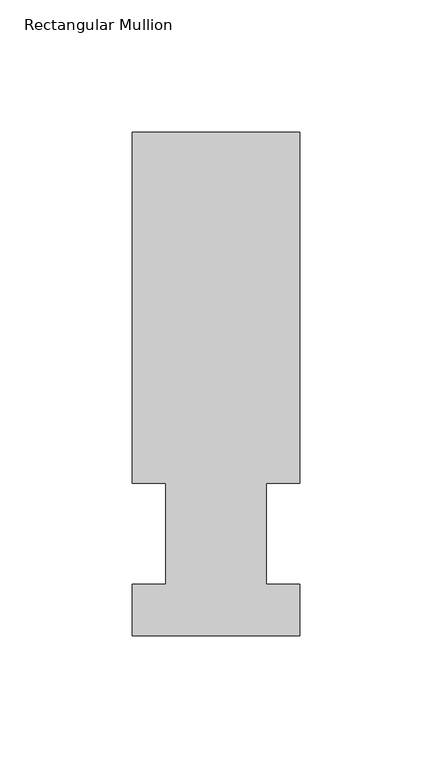
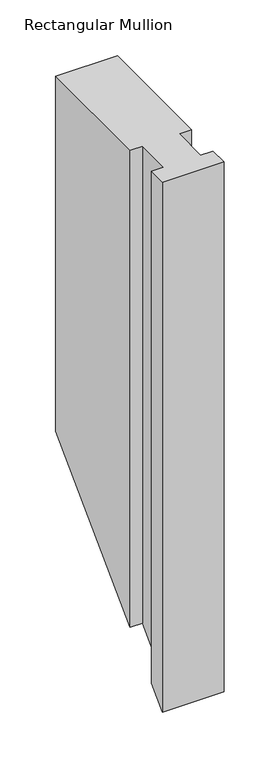
"""IFC4 building model written with IfcOpenShell, lengths in millimetres: member geometry, Rectangular Mullion."""

from ifc_helpers import new_model, si_unit, origin, place, context, project, spatial, faceted_brep, source, transform, mapped, element, save


def rectangular_mullion_335d3d6f(model_context):
    return source(origin(), model_context, "Body", "Brep", [
        faceted_brep([(-63.5, 57.6460937, 0.0), (-50.8, 57.6460937, 0.0), (-50.8, 19.5460938, 0.0), (-63.5, 19.5460938, 0.0), (-63.5, 0.0134938, 0.0), (0.0, 0.0134938, 0.0), (0.0, 19.5460938, 0.0), (-12.6873, 19.5460938, 0.0), (-12.6873, 57.6460937, 0.0), (0.0, 57.6460937, 0.0), (0.0, 190.5896938, 0.0), (-63.5, 190.5896938, 0.0), (-63.5, 57.6460937, -520.2039057), (-50.8, 57.6460937, -520.2039057), (-50.8, 19.5460938, -558.3039057), (-63.5, 19.5460938, -558.3039057), (-63.5, 0.0134938, -577.8365057), (0.0, 0.0134938, -577.8365057), (0.0, 19.5460938, -558.3039057), (-12.6873, 19.5460938, -558.3039057), (-12.6873, 57.6460937, -520.2039057), (0.0, 57.6460937, -520.2039057), (0.0, 190.5896938, -387.2603057), (-63.5, 190.5896938, -387.2603057)], [[[0, 1, 2, 3, 4, 5, 6, 7, 8, 9, 10, 11]], [[1, 0, 12, 13]], [[2, 1, 13, 14]], [[3, 2, 14, 15]], [[4, 3, 15, 16]], [[5, 4, 16, 17]], [[6, 5, 17, 18]], [[7, 6, 18, 19]], [[8, 7, 19, 20]], [[9, 8, 20, 21]], [[10, 9, 21, 22]], [[11, 10, 22, 23]], [[0, 11, 23, 12]], [[12, 23, 22, 21, 20, 19, 18, 17, 16, 15, 14, 13]]]),
    ])


if __name__ == "__main__":
    model = new_model("IFC4")
    model_context = context("Model", 3, world=origin())
    ifc_project = project(units=[si_unit("LENGTHUNIT", "METRE", prefix="MILLI")], contexts=[model_context])
    site = spatial("IfcSite", under=ifc_project)
    building = spatial("IfcBuilding", under=site)
    placement = place(None, origin())
    rectangular_mullion_shape = rectangular_mullion_335d3d6f(model_context)
    element("IfcMember", 1, ObjectType="Rectangular Mullion", at=placement, inside=building, context=model_context, shape_type="MappedRepresentation", body=[
        mapped(rectangular_mullion_shape, transform((0.0, 0.0, 0.0), x_axis=(1.0, 0.0, 0.0), y_axis=(0.0, 1.0, 0.0), z_axis=(0.0, 0.0, 1.0))),
    ])
    save(model, "model.ifc")
